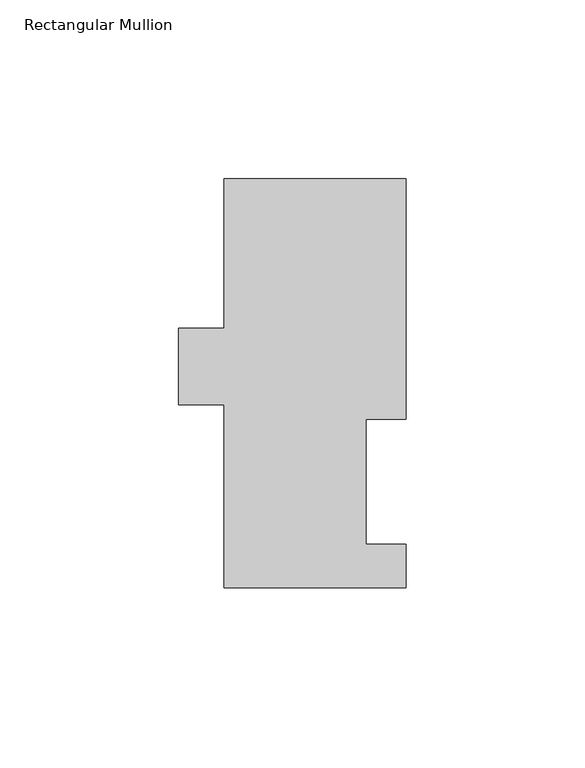
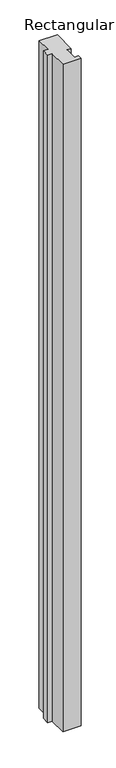
"""IFC4 building model written with IfcOpenShell, lengths in millimetres: member geometry, Rectangular Mullion."""

from ifc_helpers import new_model, si_unit, frame, origin, place, context, project, spatial, polyline, outline, extrude, source, transform, mapped, element, save


def rectangular_mullion_eb51f68b(model_context):
    return source(origin(), model_context, "Body", "SweptSolid", [
        extrude(outline(polyline([(-25.4, 114.252375), (25.4, 114.252375), (25.4, 47.069375), (14.2875, 47.069375), (14.2875, 12.144375), (25.4, 12.144375), (25.4, -0.047625), (-25.4, -0.047625), (-25.4, 51.158775), (-38.1, 51.158775), (-38.1, 72.545575), (-25.4, 72.545575), (-25.4, 114.252375)])), frame((0.0, 0.0, -1974.85), z_axis=(0.0, 0.0, 1.0), x_axis=(1.0, 0.0, 0.0)), (0.0, 0.0, 1.0), 1974.85),
    ])


if __name__ == "__main__":
    model = new_model("IFC4")
    model_context = context("Model", 3, world=origin())
    ifc_project = project(units=[si_unit("LENGTHUNIT", "METRE", prefix="MILLI")], contexts=[model_context])
    site = spatial("IfcSite", under=ifc_project)
    building = spatial("IfcBuilding", under=site)
    placement = place(None, origin())
    rectangular_mullion_shape = rectangular_mullion_eb51f68b(model_context)
    element("IfcMember", 1, ObjectType="Rectangular Mullion", at=placement, inside=building, context=model_context, shape_type="MappedRepresentation", body=[
        mapped(rectangular_mullion_shape, transform((0.0, 0.0, 0.0), x_axis=(1.0, 0.0, 0.0), y_axis=(0.0, 1.0, 0.0), z_axis=(0.0, 0.0, 1.0))),
    ])
    save(model, "model.ifc")
